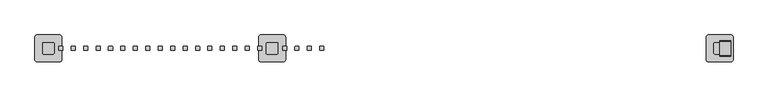
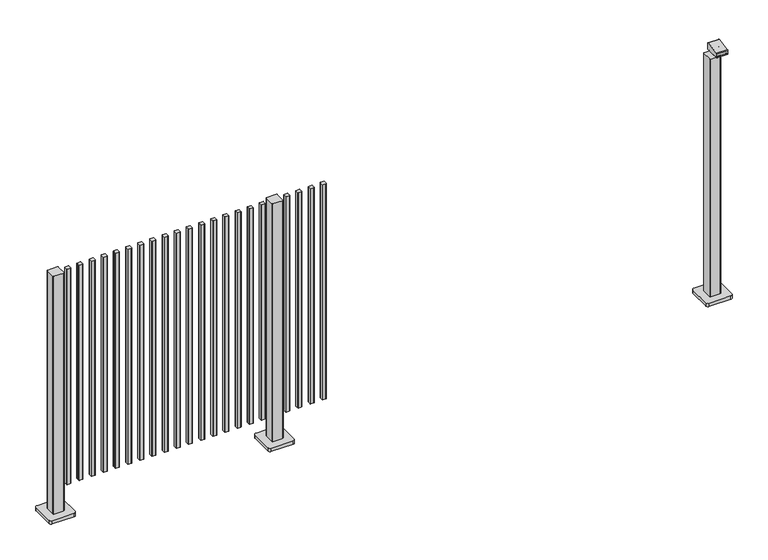
"""IFC4 building model written with IfcOpenShell, lengths in millimetres: railing geometry."""

import ifcopenshell
import ifcopenshell.guid

model = None  # the IFC model being written
_history = None  # IfcOwnerHistory: only IFC2X3 demands one
_inside = {}  # id of a spatial element -> (the spatial element, [elements in it])
_under = {}  # id of a project, library or spatial element -> (it, [spatial elements below it])
_declared = {}  # id of a project -> (the project, [libraries it declares])
_typed = {}  # id of a type object -> (the type object, [elements of that type])
_made_of = {}  # id of a material, layer set ... -> (it, [elements and type objects made of it])


def new_model(schema):
    """Start an empty IFC model of exactly this schema.

    Asked for "IFC4X3", IfcOpenShell would pick the latest addendum, in which some entities
    have other attributes; the version numbers below select the first issue.
    IFC2X3 requires an IfcOwnerHistory on every rooted entity: one is made here for all.
    """
    global model, _history
    if schema == "IFC4X3":
        model = ifcopenshell.file(schema_version=(4, 3, 0, 0))
    else:
        model = ifcopenshell.file(schema=schema)
    _inside.clear()
    _under.clear()
    _declared.clear()
    _typed.clear()
    _made_of.clear()
    _history = None
    if model.schema == "IFC2X3":
        org = make("IfcOrganization", Name="unknown")
        user = make(
            "IfcPersonAndOrganization",
            ThePerson=make("IfcPerson", FamilyName="unknown"),
            TheOrganization=org,
        )
        app = make(
            "IfcApplication",
            ApplicationDeveloper=org,
            Version="unknown",
            ApplicationFullName="unknown",
            ApplicationIdentifier="unknown",
        )
        _history = make(
            "IfcOwnerHistory",
            OwningUser=user,
            OwningApplication=app,
            ChangeAction="ADDED",
            CreationDate=0,
        )
    return model


def make(cls, **values):
    """One entity of the class cls with the attributes given. An attribute that is None is left unset."""
    return model.create_entity(
        cls, **{name: value for name, value in values.items() if value is not None}
    )


def rooted(cls, **values):
    """An entity with a GlobalId (a new one), such as an element, a storey or a relation."""
    return make(cls, GlobalId=ifcopenshell.guid.new(), OwnerHistory=_history, **values)


def si_unit(unit_type, name, prefix=None):
    """IfcSIUnit, for example si_unit("LENGTHUNIT", "METRE", prefix="MILLI")."""
    return make("IfcSIUnit", UnitType=unit_type, Prefix=prefix, Name=name)


def assignment(units):
    """IfcUnitAssignment: the units of a project."""
    return None if units is None else make("IfcUnitAssignment", Units=units)


def point(xyz):
    """IfcCartesianPoint."""
    return None if xyz is None else make("IfcCartesianPoint", Coordinates=xyz)


def direction(xyz):
    """IfcDirection."""
    return None if xyz is None else make("IfcDirection", DirectionRatios=xyz)


def frame(location, z_axis=None, x_axis=None):
    """IfcAxis2Placement3D, a coordinate frame: its origin and axes. An axis left out is left unset."""
    return make(
        "IfcAxis2Placement3D",
        Location=point(location),
        Axis=direction(z_axis),
        RefDirection=direction(x_axis),
    )


def frame_2d(location, x_axis=None):
    """IfcAxis2Placement2D, a coordinate frame in the plane: its origin and x axis."""
    return make(
        "IfcAxis2Placement2D", Location=point(location), RefDirection=direction(x_axis)
    )


def origin():
    """The frame at (0, 0, 0) with its axes left unset."""
    return frame((0.0, 0.0, 0.0))


def origin_with_axes():
    """The frame at (0, 0, 0) with the z axis (0, 0, 1) and the x axis (1, 0, 0) written out."""
    return frame((0.0, 0.0, 0.0), z_axis=(0.0, 0.0, 1.0), x_axis=(1.0, 0.0, 0.0))


def place(relative_to, where):
    """IfcLocalPlacement: puts the frame where relative to a parent placement (None: the world)."""
    return make(
        "IfcLocalPlacement", PlacementRelTo=relative_to, RelativePlacement=where
    )


def context(
    kind, dimensions, precision=None, world=None, true_north=None, identifier=None
):
    """IfcGeometricRepresentationContext, for example the 3D "Model" context."""
    return make(
        "IfcGeometricRepresentationContext",
        ContextIdentifier=identifier,
        ContextType=kind,
        CoordinateSpaceDimension=dimensions,
        Precision=precision,
        WorldCoordinateSystem=world,
        TrueNorth=true_north,
    )


def project(units=None, contexts=None):
    """IfcProject with its units and contexts."""
    return rooted(
        "IfcProject",
        Name="project",
        RepresentationContexts=contexts,
        UnitsInContext=assignment(units),
    )


def spatial(cls, under=None, at=None, **own):
    """A site, building, storey or space (cls), placed at a placement, below another one or the project."""
    s = rooted(cls, ObjectPlacement=at, **own)
    if under is not None:
        _under.setdefault(under.id(), (under, []))[1].append(s)
    return s


def polyline(points):
    """IfcPolyline through the points."""
    return make("IfcPolyline", Points=[point(p) for p in points])


def circle_curve(where, radius):
    """IfcCircle in the frame where."""
    return make("IfcCircle", Position=where, Radius=radius)


def trimmed(basis, trim1, trim2, sense, master):
    """IfcTrimmedCurve: the piece of a basis curve between two trims."""
    return make(
        "IfcTrimmedCurve",
        BasisCurve=basis,
        Trim1=trim1,
        Trim2=trim2,
        SenseAgreement=sense,
        MasterRepresentation=master,
    )


def segment(curve, same_sense, transition):
    """IfcCompositeCurveSegment."""
    return make(
        "IfcCompositeCurveSegment",
        Transition=transition,
        SameSense=same_sense,
        ParentCurve=curve,
    )


def composite_curve(segments, self_intersect=None):
    """IfcCompositeCurve: segments joined end to end."""
    return make("IfcCompositeCurve", Segments=segments, SelfIntersect=self_intersect)


def outline(outer, holes=None, kind="AREA"):
    """IfcArbitraryClosedProfileDef: a profile drawn as a closed curve; with holes, ...WithVoids."""
    if holes is None:
        return make("IfcArbitraryClosedProfileDef", ProfileType=kind, OuterCurve=outer)
    return make(
        "IfcArbitraryProfileDefWithVoids",
        ProfileType=kind,
        OuterCurve=outer,
        InnerCurves=holes,
    )


def extrude(swept, where, along, depth):
    """IfcExtrudedAreaSolid: the profile swept, set in the frame where, extruded along a direction by depth."""
    return make(
        "IfcExtrudedAreaSolid",
        SweptArea=swept,
        Position=where,
        ExtrudedDirection=direction(along),
        Depth=depth,
    )


def shape(context_of_items, identifier, shape_type, items):
    """IfcShapeRepresentation: the items that make up one representation, for example the "Body"."""
    return make(
        "IfcShapeRepresentation",
        ContextOfItems=context_of_items,
        RepresentationIdentifier=identifier,
        RepresentationType=shape_type,
        Items=items,
    )


def source(mapping_origin, context_of_items, identifier, shape_type, items):
    """IfcRepresentationMap: a shape defined once, which mapped items show again and again."""
    return make(
        "IfcRepresentationMap",
        MappingOrigin=mapping_origin,
        MappedRepresentation=shape(context_of_items, identifier, shape_type, items),
    )


def transform(
    local_origin,
    x_axis=None,
    y_axis=None,
    z_axis=None,
    scale=None,
    scale2=None,
    scale3=None,
    uniform=True,
):
    """IfcCartesianTransformationOperator3D, or its non-uniform kind. x_axis, y_axis, z_axis: its Axis1, 2, 3."""
    if uniform:
        return make(
            "IfcCartesianTransformationOperator3D",
            Axis1=direction(x_axis),
            Axis2=direction(y_axis),
            LocalOrigin=point(local_origin),
            Scale=scale,
            Axis3=direction(z_axis),
        )
    return make(
        "IfcCartesianTransformationOperator3DnonUniform",
        Axis1=direction(x_axis),
        Axis2=direction(y_axis),
        LocalOrigin=point(local_origin),
        Scale=scale,
        Axis3=direction(z_axis),
        Scale2=scale2,
        Scale3=scale3,
    )


def mapped(mapping_source, mapping_target):
    """IfcMappedItem: shows the shape of a source again, moved by a transform."""
    return make(
        "IfcMappedItem", MappingSource=mapping_source, MappingTarget=mapping_target
    )


def made_of(thing, what):
    """Note that an element or type object is made of a material, layer set ...; save() writes the relation."""
    if what is not None:
        _made_of.setdefault(what.id(), (what, []))[1].append(thing)
    return thing


def element(
    cls,
    number,
    at=None,
    inside=None,
    cuts=None,
    type_object=None,
    material=None,
    context=None,
    identifier="Body",
    shape_type=None,
    held_by="IfcProductDefinitionShape",
    body=None,
    shapes=None,
    **own,
):
    """One element of the class cls, such as IfcWall. Its Tag is "e" and its number.

    at: its placement. inside: the storey or other place that contains it. cuts: it is an
    opening in that element (IfcRelVoidsElement). A single representation is given by context,
    identifier, shape_type and body (its items); several are given by shapes. held_by: the class
    of the entity that holds the representations. save() writes the other relations.
    """
    e = rooted(cls, Tag="e%d" % number, ObjectPlacement=at, **own)
    if body is not None:
        shapes = [shape(context, identifier, shape_type, body)]
    if shapes is not None:
        e.Representation = make(held_by, Representations=shapes)
    if inside is not None:
        _inside.setdefault(inside.id(), (inside, []))[1].append(e)
    if cuts is not None:
        rooted(
            "IfcRelVoidsElement", RelatingBuildingElement=cuts, RelatedOpeningElement=e
        )
    if type_object is not None:
        _typed.setdefault(type_object.id(), (type_object, []))[1].append(e)
    return made_of(e, material)


def aggregate(whole, parts):
    """IfcRelAggregates: a whole, such as a stair, and the parts it consists of."""
    return rooted("IfcRelAggregates", RelatingObject=whole, RelatedObjects=parts)


def save(model, path):
    """Write the relations noted so far, then the file.

    IfcRelAggregates (storeys below a building ...), IfcRelContainedInSpatialStructure (elements
    in a storey), IfcRelDefinesByType, IfcRelAssociatesMaterial and IfcRelDeclares: one each for
    every whole, place, type object, material and project.
    """
    for whole, parts in _under.values():
        aggregate(whole, parts)
    for where, things in _inside.values():
        rooted(
            "IfcRelContainedInSpatialStructure",
            RelatedElements=things,
            RelatingStructure=where,
        )
    for kind, things in _typed.values():
        rooted("IfcRelDefinesByType", RelatedObjects=things, RelatingType=kind)
    for what, things in _made_of.values():
        rooted("IfcRelAssociatesMaterial", RelatedObjects=things, RelatingMaterial=what)
    for by, libraries in _declared.values():
        rooted("IfcRelDeclares", RelatingContext=by, RelatedDefinitions=libraries)
    model.write(path)


def plane_surface(at):
    """IfcPlane: the flat surface through the origin of the frame at, square to its z axis."""
    return make("IfcPlane", Position=at)


def cylinder_surface(at, radius):
    """IfcCylindricalSurface: all points at the distance radius from the z axis of the frame at."""
    return make("IfcCylindricalSurface", Position=at, Radius=radius)


def advanced_brep(points, edges, surfaces, faces):
    """IfcAdvancedBrep: a solid bounded by faces that lie on surfaces and meet in shared edges.

    An edge is (start, end): straight between two places in points (the first is 0);
    or (start, end, curve); or (start, end, curve, False) where it runs against its curve.
    A face is (place in surfaces, loops), or (place, loops, False) where it looks against
    its surface's normal. A loop lists edges by number (the first is 1), with a minus sign
    where the edge is run from its end to its start. The first loop is the outer one.
    """
    corners = [point(p) for p in points]
    vertices = [make("IfcVertexPoint", VertexGeometry=c) for c in corners]
    made = []
    for start, end, *more in edges:
        made.append(
            make(
                "IfcEdgeCurve",
                EdgeStart=vertices[start],
                EdgeEnd=vertices[end],
                EdgeGeometry=more[0] if more else make("IfcPolyline", Points=[corners[start], corners[end]]),
                SameSense=more[1] if len(more) > 1 else True,
            )
        )
    hull = []
    for where, loops, *sense in faces:
        bounds = []
        for j, loop in enumerate(loops):
            ring = [make("IfcOrientedEdge", EdgeElement=made[abs(k) - 1], Orientation=k > 0) for k in loop]
            bounds.append(
                make(
                    "IfcFaceOuterBound" if j == 0 else "IfcFaceBound",
                    Bound=make("IfcEdgeLoop", EdgeList=ring),
                    Orientation=True,
                )
            )
        hull.append(make("IfcAdvancedFace", Bounds=bounds, FaceSurface=surfaces[where], SameSense=sense[0] if sense else True))
    return make("IfcAdvancedBrep", Outer=make("IfcClosedShell", CfsFaces=hull))


def railing_ac05e86f(model_context):
    return source(origin(), model_context, "Body", "SolidModel", [
        extrude(outline(composite_curve([segment(polyline([(4944.6169133, 10298.2507846), (4944.6169133, 10313.4508236)]), True, "CONTINUOUS"), segment(trimmed(circle_curve(frame_2d((4946.0169133, 10313.4508236)), 1.4), [point((4944.6169133, 10313.4508236))], [point((4946.0169133, 10314.8508236))], False, "CARTESIAN"), True, "CONTINUOUS"), segment(polyline([(4946.0169133, 10314.8508236), (4961.2169163, 10314.8508236)]), True, "CONTINUOUS"), segment(trimmed(circle_curve(frame_2d((4961.2169163, 10313.4508236)), 1.4), [point((4961.2169163, 10314.8508236))], [point((4962.6169163, 10313.4508236))], False, "CARTESIAN"), True, "CONTINUOUS"), segment(polyline([(4962.6169163, 10313.4508236), (4962.6169163, 10298.2507846)]), True, "CONTINUOUS"), segment(trimmed(circle_curve(frame_2d((4961.2169163, 10298.2507846)), 1.4), [point((4962.6169163, 10298.2507846))], [point((4961.2169163, 10296.8507846))], False, "CARTESIAN"), True, "CONTINUOUS"), segment(polyline([(4961.2169163, 10296.8507846), (4946.0169133, 10296.8507846)]), True, "CONTINUOUS"), segment(trimmed(circle_curve(frame_2d((4946.0169133, 10298.2507846)), 1.4), [point((4946.0169133, 10296.8507846))], [point((4944.6169133, 10298.2507846))], False, "CARTESIAN"), True, "CONTINUOUS")], self_intersect=False)), frame((0.0, 0.0, 125.0), z_axis=(0.0, 0.0, 1.0), x_axis=(1.0, 0.0, 0.0)), (0.0, 0.0, 1.0), 1039.2785397),
        extrude(outline(composite_curve([segment(polyline([(4889.0613577, 10298.2507846), (4889.0613577, 10313.4508236)]), True, "CONTINUOUS"), segment(trimmed(circle_curve(frame_2d((4890.4613577, 10313.4508236)), 1.4), [point((4889.0613577, 10313.4508236))], [point((4890.4613577, 10314.8508236))], False, "CARTESIAN"), True, "CONTINUOUS"), segment(polyline([(4890.4613577, 10314.8508236), (4905.6613607, 10314.8508236)]), True, "CONTINUOUS"), segment(trimmed(circle_curve(frame_2d((4905.6613607, 10313.4508236)), 1.4), [point((4905.6613607, 10314.8508236))], [point((4907.0613607, 10313.4508236))], False, "CARTESIAN"), True, "CONTINUOUS"), segment(polyline([(4907.0613607, 10313.4508236), (4907.0613607, 10298.2507846)]), True, "CONTINUOUS"), segment(trimmed(circle_curve(frame_2d((4905.6613607, 10298.2507846)), 1.4), [point((4907.0613607, 10298.2507846))], [point((4905.6613607, 10296.8507846))], False, "CARTESIAN"), True, "CONTINUOUS"), segment(polyline([(4905.6613607, 10296.8507846), (4890.4613577, 10296.8507846)]), True, "CONTINUOUS"), segment(trimmed(circle_curve(frame_2d((4890.4613577, 10298.2507846)), 1.4), [point((4890.4613577, 10296.8507846))], [point((4889.0613577, 10298.2507846))], False, "CARTESIAN"), True, "CONTINUOUS")], self_intersect=False)), frame((0.0, 0.0, 125.0), z_axis=(0.0, 0.0, 1.0), x_axis=(1.0, 0.0, 0.0)), (0.0, 0.0, 1.0), 1039.2785397),
        extrude(outline(composite_curve([segment(polyline([(4833.5058021, 10298.2507846), (4833.5058021, 10313.4508236)]), True, "CONTINUOUS"), segment(trimmed(circle_curve(frame_2d((4834.9058021, 10313.4508236)), 1.4), [point((4833.5058021, 10313.4508236))], [point((4834.9058021, 10314.8508236))], False, "CARTESIAN"), True, "CONTINUOUS"), segment(polyline([(4834.9058021, 10314.8508236), (4850.1058051, 10314.8508236)]), True, "CONTINUOUS"), segment(trimmed(circle_curve(frame_2d((4850.1058051, 10313.4508236)), 1.4), [point((4850.1058051, 10314.8508236))], [point((4851.5058051, 10313.4508236))], False, "CARTESIAN"), True, "CONTINUOUS"), segment(polyline([(4851.5058051, 10313.4508236), (4851.5058051, 10298.2507846)]), True, "CONTINUOUS"), segment(trimmed(circle_curve(frame_2d((4850.1058051, 10298.2507846)), 1.4), [point((4851.5058051, 10298.2507846))], [point((4850.1058051, 10296.8507846))], False, "CARTESIAN"), True, "CONTINUOUS"), segment(polyline([(4850.1058051, 10296.8507846), (4834.9058021, 10296.8507846)]), True, "CONTINUOUS"), segment(trimmed(circle_curve(frame_2d((4834.9058021, 10298.2507846)), 1.4), [point((4834.9058021, 10296.8507846))], [point((4833.5058021, 10298.2507846))], False, "CARTESIAN"), True, "CONTINUOUS")], self_intersect=False)), frame((0.0, 0.0, 125.0), z_axis=(0.0, 0.0, 1.0), x_axis=(1.0, 0.0, 0.0)), (0.0, 0.0, 1.0), 1039.2785397),
        extrude(outline(composite_curve([segment(polyline([(4777.9502466, 10298.2507846), (4777.9502466, 10313.4508236)]), True, "CONTINUOUS"), segment(trimmed(circle_curve(frame_2d((4779.3502466, 10313.4508236)), 1.4), [point((4777.9502466, 10313.4508236))], [point((4779.3502466, 10314.8508236))], False, "CARTESIAN"), True, "CONTINUOUS"), segment(polyline([(4779.3502466, 10314.8508236), (4794.5502496, 10314.8508236)]), True, "CONTINUOUS"), segment(trimmed(circle_curve(frame_2d((4794.5502496, 10313.4508236)), 1.4), [point((4794.5502496, 10314.8508236))], [point((4795.9502496, 10313.4508236))], False, "CARTESIAN"), True, "CONTINUOUS"), segment(polyline([(4795.9502496, 10313.4508236), (4795.9502496, 10298.2507846)]), True, "CONTINUOUS"), segment(trimmed(circle_curve(frame_2d((4794.5502496, 10298.2507846)), 1.4), [point((4795.9502496, 10298.2507846))], [point((4794.5502496, 10296.8507846))], False, "CARTESIAN"), True, "CONTINUOUS"), segment(polyline([(4794.5502496, 10296.8507846), (4779.3502466, 10296.8507846)]), True, "CONTINUOUS"), segment(trimmed(circle_curve(frame_2d((4779.3502466, 10298.2507846)), 1.4), [point((4779.3502466, 10296.8507846))], [point((4777.9502466, 10298.2507846))], False, "CARTESIAN"), True, "CONTINUOUS")], self_intersect=False)), frame((0.0, 0.0, 125.0), z_axis=(0.0, 0.0, 1.0), x_axis=(1.0, 0.0, 0.0)), (0.0, 0.0, 1.0), 1039.2785397),
        extrude(outline(composite_curve([segment(polyline([(4705.994681, 10283.4507816), (4705.994681, 10328.2508046)]), True, "CONTINUOUS"), segment(trimmed(circle_curve(frame_2d((4708.994681, 10328.2508046)), 3.0), [point((4705.994681, 10328.2508046))], [point((4708.994681, 10331.2508046))], False, "CARTESIAN"), True, "CONTINUOUS"), segment(polyline([(4708.994681, 10331.2508046), (4753.794704, 10331.2508046)]), True, "CONTINUOUS"), segment(trimmed(circle_curve(frame_2d((4753.794704, 10328.2508046)), 3.0), [point((4753.794704, 10331.2508046))], [point((4756.794704, 10328.2508046))], False, "CARTESIAN"), True, "CONTINUOUS"), segment(polyline([(4756.794704, 10328.2508046), (4756.794704, 10283.4507816)]), True, "CONTINUOUS"), segment(trimmed(circle_curve(frame_2d((4753.794704, 10283.4507816)), 3.0), [point((4756.794704, 10283.4507816))], [point((4753.794704, 10280.4507816))], False, "CARTESIAN"), True, "CONTINUOUS"), segment(polyline([(4753.794704, 10280.4507816), (4708.994681, 10280.4507816)]), True, "CONTINUOUS"), segment(trimmed(circle_curve(frame_2d((4708.994681, 10283.4507816)), 3.0), [point((4708.994681, 10280.4507816))], [point((4705.994681, 10283.4507816))], False, "CARTESIAN"), True, "CONTINUOUS")], self_intersect=False)), frame((0.0, 0.0, 16.0), z_axis=(0.0, 0.0, 1.0), x_axis=(1.0, 0.0, 0.0)), (0.0, 0.0, 1.0), 1148.2785397),
        extrude(outline(composite_curve([segment(polyline([(4671.394681, 10255.8507931), (4671.394681, 10355.8507931)]), True, "CONTINUOUS"), segment(trimmed(circle_curve(frame_2d((4681.394681, 10355.8507931)), 10.0), [point((4671.394681, 10355.8507931))], [point((4681.394681, 10365.8507931))], False, "CARTESIAN"), True, "CONTINUOUS"), segment(polyline([(4681.394681, 10365.8507931), (4781.394681, 10365.8507931)]), True, "CONTINUOUS"), segment(trimmed(circle_curve(frame_2d((4781.394681, 10355.8507931)), 10.0), [point((4781.394681, 10365.8507931))], [point((4791.394681, 10355.8507931))], False, "CARTESIAN"), True, "CONTINUOUS"), segment(polyline([(4791.394681, 10355.8507931), (4791.394681, 10255.8507931)]), True, "CONTINUOUS"), segment(trimmed(circle_curve(frame_2d((4781.394681, 10255.8507931)), 10.0), [point((4791.394681, 10255.8507931))], [point((4781.394681, 10245.8507931))], False, "CARTESIAN"), True, "CONTINUOUS"), segment(polyline([(4781.394681, 10245.8507931), (4681.394681, 10245.8507931)]), True, "CONTINUOUS"), segment(trimmed(circle_curve(frame_2d((4681.394681, 10255.8507931)), 10.0), [point((4681.394681, 10245.8507931))], [point((4671.394681, 10255.8507931))], False, "CARTESIAN"), True, "CONTINUOUS")], self_intersect=False)), origin_with_axes(), (0.0, 0.0, 1.0), 16.0),
        extrude(outline(composite_curve([segment(polyline([(4666.8391355, 10298.2507846), (4666.8391355, 10313.4508236)]), True, "CONTINUOUS"), segment(trimmed(circle_curve(frame_2d((4668.2391355, 10313.4508236)), 1.4), [point((4666.8391355, 10313.4508236))], [point((4668.2391355, 10314.8508236))], False, "CARTESIAN"), True, "CONTINUOUS"), segment(polyline([(4668.2391355, 10314.8508236), (4683.4391385, 10314.8508236)]), True, "CONTINUOUS"), segment(trimmed(circle_curve(frame_2d((4683.4391385, 10313.4508236)), 1.4), [point((4683.4391385, 10314.8508236))], [point((4684.8391385, 10313.4508236))], False, "CARTESIAN"), True, "CONTINUOUS"), segment(polyline([(4684.8391385, 10313.4508236), (4684.8391385, 10298.2507846)]), True, "CONTINUOUS"), segment(trimmed(circle_curve(frame_2d((4683.4391385, 10298.2507846)), 1.4), [point((4684.8391385, 10298.2507846))], [point((4683.4391385, 10296.8507846))], False, "CARTESIAN"), True, "CONTINUOUS"), segment(polyline([(4683.4391385, 10296.8507846), (4668.2391355, 10296.8507846)]), True, "CONTINUOUS"), segment(trimmed(circle_curve(frame_2d((4668.2391355, 10298.2507846)), 1.4), [point((4668.2391355, 10296.8507846))], [point((4666.8391355, 10298.2507846))], False, "CARTESIAN"), True, "CONTINUOUS")], self_intersect=False)), frame((0.0, 0.0, 125.0), z_axis=(0.0, 0.0, 1.0), x_axis=(1.0, 0.0, 0.0)), (0.0, 0.0, 1.0), 1039.2785397),
        extrude(outline(composite_curve([segment(polyline([(4611.2835799, 10298.2507846), (4611.2835799, 10313.4508236)]), True, "CONTINUOUS"), segment(trimmed(circle_curve(frame_2d((4612.6835799, 10313.4508236)), 1.4), [point((4611.2835799, 10313.4508236))], [point((4612.6835799, 10314.8508236))], False, "CARTESIAN"), True, "CONTINUOUS"), segment(polyline([(4612.6835799, 10314.8508236), (4627.8835829, 10314.8508236)]), True, "CONTINUOUS"), segment(trimmed(circle_curve(frame_2d((4627.8835829, 10313.4508236)), 1.4), [point((4627.8835829, 10314.8508236))], [point((4629.2835829, 10313.4508236))], False, "CARTESIAN"), True, "CONTINUOUS"), segment(polyline([(4629.2835829, 10313.4508236), (4629.2835829, 10298.2507846)]), True, "CONTINUOUS"), segment(trimmed(circle_curve(frame_2d((4627.8835829, 10298.2507846)), 1.4), [point((4629.2835829, 10298.2507846))], [point((4627.8835829, 10296.8507846))], False, "CARTESIAN"), True, "CONTINUOUS"), segment(polyline([(4627.8835829, 10296.8507846), (4612.6835799, 10296.8507846)]), True, "CONTINUOUS"), segment(trimmed(circle_curve(frame_2d((4612.6835799, 10298.2507846)), 1.4), [point((4612.6835799, 10296.8507846))], [point((4611.2835799, 10298.2507846))], False, "CARTESIAN"), True, "CONTINUOUS")], self_intersect=False)), frame((0.0, 0.0, 125.0), z_axis=(0.0, 0.0, 1.0), x_axis=(1.0, 0.0, 0.0)), (0.0, 0.0, 1.0), 1039.2785397),
        extrude(outline(composite_curve([segment(polyline([(4555.7280244, 10298.2507846), (4555.7280244, 10313.4508236)]), True, "CONTINUOUS"), segment(trimmed(circle_curve(frame_2d((4557.1280244, 10313.4508236)), 1.4), [point((4555.7280244, 10313.4508236))], [point((4557.1280244, 10314.8508236))], False, "CARTESIAN"), True, "CONTINUOUS"), segment(polyline([(4557.1280244, 10314.8508236), (4572.3280274, 10314.8508236)]), True, "CONTINUOUS"), segment(trimmed(circle_curve(frame_2d((4572.3280274, 10313.4508236)), 1.4), [point((4572.3280274, 10314.8508236))], [point((4573.7280274, 10313.4508236))], False, "CARTESIAN"), True, "CONTINUOUS"), segment(polyline([(4573.7280274, 10313.4508236), (4573.7280274, 10298.2507846)]), True, "CONTINUOUS"), segment(trimmed(circle_curve(frame_2d((4572.3280274, 10298.2507846)), 1.4), [point((4573.7280274, 10298.2507846))], [point((4572.3280274, 10296.8507846))], False, "CARTESIAN"), True, "CONTINUOUS"), segment(polyline([(4572.3280274, 10296.8507846), (4557.1280244, 10296.8507846)]), True, "CONTINUOUS"), segment(trimmed(circle_curve(frame_2d((4557.1280244, 10298.2507846)), 1.4), [point((4557.1280244, 10296.8507846))], [point((4555.7280244, 10298.2507846))], False, "CARTESIAN"), True, "CONTINUOUS")], self_intersect=False)), frame((0.0, 0.0, 125.0), z_axis=(0.0, 0.0, 1.0), x_axis=(1.0, 0.0, 0.0)), (0.0, 0.0, 1.0), 1039.2785397),
        extrude(outline(composite_curve([segment(polyline([(4500.1724688, 10298.2507846), (4500.1724688, 10313.4508236)]), True, "CONTINUOUS"), segment(trimmed(circle_curve(frame_2d((4501.5724688, 10313.4508236)), 1.4), [point((4500.1724688, 10313.4508236))], [point((4501.5724688, 10314.8508236))], False, "CARTESIAN"), True, "CONTINUOUS"), segment(polyline([(4501.5724688, 10314.8508236), (4516.7724718, 10314.8508236)]), True, "CONTINUOUS"), segment(trimmed(circle_curve(frame_2d((4516.7724718, 10313.4508236)), 1.4), [point((4516.7724718, 10314.8508236))], [point((4518.1724718, 10313.4508236))], False, "CARTESIAN"), True, "CONTINUOUS"), segment(polyline([(4518.1724718, 10313.4508236), (4518.1724718, 10298.2507846)]), True, "CONTINUOUS"), segment(trimmed(circle_curve(frame_2d((4516.7724718, 10298.2507846)), 1.4), [point((4518.1724718, 10298.2507846))], [point((4516.7724718, 10296.8507846))], False, "CARTESIAN"), True, "CONTINUOUS"), segment(polyline([(4516.7724718, 10296.8507846), (4501.5724688, 10296.8507846)]), True, "CONTINUOUS"), segment(trimmed(circle_curve(frame_2d((4501.5724688, 10298.2507846)), 1.4), [point((4501.5724688, 10296.8507846))], [point((4500.1724688, 10298.2507846))], False, "CARTESIAN"), True, "CONTINUOUS")], self_intersect=False)), frame((0.0, 0.0, 125.0), z_axis=(0.0, 0.0, 1.0), x_axis=(1.0, 0.0, 0.0)), (0.0, 0.0, 1.0), 1039.2785397),
        extrude(outline(composite_curve([segment(polyline([(4444.6169133, 10298.2507846), (4444.6169133, 10313.4508236)]), True, "CONTINUOUS"), segment(trimmed(circle_curve(frame_2d((4446.0169133, 10313.4508236)), 1.4), [point((4444.6169133, 10313.4508236))], [point((4446.0169133, 10314.8508236))], False, "CARTESIAN"), True, "CONTINUOUS"), segment(polyline([(4446.0169133, 10314.8508236), (4461.2169163, 10314.8508236)]), True, "CONTINUOUS"), segment(trimmed(circle_curve(frame_2d((4461.2169163, 10313.4508236)), 1.4), [point((4461.2169163, 10314.8508236))], [point((4462.6169163, 10313.4508236))], False, "CARTESIAN"), True, "CONTINUOUS"), segment(polyline([(4462.6169163, 10313.4508236), (4462.6169163, 10298.2507846)]), True, "CONTINUOUS"), segment(trimmed(circle_curve(frame_2d((4461.2169163, 10298.2507846)), 1.4), [point((4462.6169163, 10298.2507846))], [point((4461.2169163, 10296.8507846))], False, "CARTESIAN"), True, "CONTINUOUS"), segment(polyline([(4461.2169163, 10296.8507846), (4446.0169133, 10296.8507846)]), True, "CONTINUOUS"), segment(trimmed(circle_curve(frame_2d((4446.0169133, 10298.2507846)), 1.4), [point((4446.0169133, 10296.8507846))], [point((4444.6169133, 10298.2507846))], False, "CARTESIAN"), True, "CONTINUOUS")], self_intersect=False)), frame((0.0, 0.0, 125.0), z_axis=(0.0, 0.0, 1.0), x_axis=(1.0, 0.0, 0.0)), (0.0, 0.0, 1.0), 1039.2785397),
        extrude(outline(composite_curve([segment(polyline([(4389.0613577, 10298.2507846), (4389.0613577, 10313.4508236)]), True, "CONTINUOUS"), segment(trimmed(circle_curve(frame_2d((4390.4613577, 10313.4508236)), 1.4), [point((4389.0613577, 10313.4508236))], [point((4390.4613577, 10314.8508236))], False, "CARTESIAN"), True, "CONTINUOUS"), segment(polyline([(4390.4613577, 10314.8508236), (4405.6613607, 10314.8508236)]), True, "CONTINUOUS"), segment(trimmed(circle_curve(frame_2d((4405.6613607, 10313.4508236)), 1.4), [point((4405.6613607, 10314.8508236))], [point((4407.0613607, 10313.4508236))], False, "CARTESIAN"), True, "CONTINUOUS"), segment(polyline([(4407.0613607, 10313.4508236), (4407.0613607, 10298.2507846)]), True, "CONTINUOUS"), segment(trimmed(circle_curve(frame_2d((4405.6613607, 10298.2507846)), 1.4), [point((4407.0613607, 10298.2507846))], [point((4405.6613607, 10296.8507846))], False, "CARTESIAN"), True, "CONTINUOUS"), segment(polyline([(4405.6613607, 10296.8507846), (4390.4613577, 10296.8507846)]), True, "CONTINUOUS"), segment(trimmed(circle_curve(frame_2d((4390.4613577, 10298.2507846)), 1.4), [point((4390.4613577, 10296.8507846))], [point((4389.0613577, 10298.2507846))], False, "CARTESIAN"), True, "CONTINUOUS")], self_intersect=False)), frame((0.0, 0.0, 125.0), z_axis=(0.0, 0.0, 1.0), x_axis=(1.0, 0.0, 0.0)), (0.0, 0.0, 1.0), 1039.2785397),
        extrude(outline(composite_curve([segment(polyline([(4333.5058021, 10298.2507846), (4333.5058021, 10313.4508236)]), True, "CONTINUOUS"), segment(trimmed(circle_curve(frame_2d((4334.9058021, 10313.4508236)), 1.4), [point((4333.5058021, 10313.4508236))], [point((4334.9058021, 10314.8508236))], False, "CARTESIAN"), True, "CONTINUOUS"), segment(polyline([(4334.9058021, 10314.8508236), (4350.1058051, 10314.8508236)]), True, "CONTINUOUS"), segment(trimmed(circle_curve(frame_2d((4350.1058051, 10313.4508236)), 1.4), [point((4350.1058051, 10314.8508236))], [point((4351.5058051, 10313.4508236))], False, "CARTESIAN"), True, "CONTINUOUS"), segment(polyline([(4351.5058051, 10313.4508236), (4351.5058051, 10298.2507846)]), True, "CONTINUOUS"), segment(trimmed(circle_curve(frame_2d((4350.1058051, 10298.2507846)), 1.4), [point((4351.5058051, 10298.2507846))], [point((4350.1058051, 10296.8507846))], False, "CARTESIAN"), True, "CONTINUOUS"), segment(polyline([(4350.1058051, 10296.8507846), (4334.9058021, 10296.8507846)]), True, "CONTINUOUS"), segment(trimmed(circle_curve(frame_2d((4334.9058021, 10298.2507846)), 1.4), [point((4334.9058021, 10296.8507846))], [point((4333.5058021, 10298.2507846))], False, "CARTESIAN"), True, "CONTINUOUS")], self_intersect=False)), frame((0.0, 0.0, 125.0), z_axis=(0.0, 0.0, 1.0), x_axis=(1.0, 0.0, 0.0)), (0.0, 0.0, 1.0), 1039.2785397),
        extrude(outline(composite_curve([segment(polyline([(4277.9502466, 10298.2507846), (4277.9502466, 10313.4508236)]), True, "CONTINUOUS"), segment(trimmed(circle_curve(frame_2d((4279.3502466, 10313.4508236)), 1.4), [point((4277.9502466, 10313.4508236))], [point((4279.3502466, 10314.8508236))], False, "CARTESIAN"), True, "CONTINUOUS"), segment(polyline([(4279.3502466, 10314.8508236), (4294.5502496, 10314.8508236)]), True, "CONTINUOUS"), segment(trimmed(circle_curve(frame_2d((4294.5502496, 10313.4508236)), 1.4), [point((4294.5502496, 10314.8508236))], [point((4295.9502496, 10313.4508236))], False, "CARTESIAN"), True, "CONTINUOUS"), segment(polyline([(4295.9502496, 10313.4508236), (4295.9502496, 10298.2507846)]), True, "CONTINUOUS"), segment(trimmed(circle_curve(frame_2d((4294.5502496, 10298.2507846)), 1.4), [point((4295.9502496, 10298.2507846))], [point((4294.5502496, 10296.8507846))], False, "CARTESIAN"), True, "CONTINUOUS"), segment(polyline([(4294.5502496, 10296.8507846), (4279.3502466, 10296.8507846)]), True, "CONTINUOUS"), segment(trimmed(circle_curve(frame_2d((4279.3502466, 10298.2507846)), 1.4), [point((4279.3502466, 10296.8507846))], [point((4277.9502466, 10298.2507846))], False, "CARTESIAN"), True, "CONTINUOUS")], self_intersect=False)), frame((0.0, 0.0, 125.0), z_axis=(0.0, 0.0, 1.0), x_axis=(1.0, 0.0, 0.0)), (0.0, 0.0, 1.0), 1039.2785397),
        extrude(outline(composite_curve([segment(polyline([(4222.394691, 10298.2507846), (4222.394691, 10313.4508236)]), True, "CONTINUOUS"), segment(trimmed(circle_curve(frame_2d((4223.794691, 10313.4508236)), 1.4), [point((4222.394691, 10313.4508236))], [point((4223.794691, 10314.8508236))], False, "CARTESIAN"), True, "CONTINUOUS"), segment(polyline([(4223.794691, 10314.8508236), (4238.994694, 10314.8508236)]), True, "CONTINUOUS"), segment(trimmed(circle_curve(frame_2d((4238.994694, 10313.4508236)), 1.4), [point((4238.994694, 10314.8508236))], [point((4240.394694, 10313.4508236))], False, "CARTESIAN"), True, "CONTINUOUS"), segment(polyline([(4240.394694, 10313.4508236), (4240.394694, 10298.2507846)]), True, "CONTINUOUS"), segment(trimmed(circle_curve(frame_2d((4238.994694, 10298.2507846)), 1.4), [point((4240.394694, 10298.2507846))], [point((4238.994694, 10296.8507846))], False, "CARTESIAN"), True, "CONTINUOUS"), segment(polyline([(4238.994694, 10296.8507846), (4223.794691, 10296.8507846)]), True, "CONTINUOUS"), segment(trimmed(circle_curve(frame_2d((4223.794691, 10298.2507846)), 1.4), [point((4223.794691, 10296.8507846))], [point((4222.394691, 10298.2507846))], False, "CARTESIAN"), True, "CONTINUOUS")], self_intersect=False)), frame((0.0, 0.0, 125.0), z_axis=(0.0, 0.0, 1.0), x_axis=(1.0, 0.0, 0.0)), (0.0, 0.0, 1.0), 1039.2785397),
        extrude(outline(composite_curve([segment(polyline([(4166.8391355, 10298.2507846), (4166.8391355, 10313.4508236)]), True, "CONTINUOUS"), segment(trimmed(circle_curve(frame_2d((4168.2391355, 10313.4508236)), 1.4), [point((4166.8391355, 10313.4508236))], [point((4168.2391355, 10314.8508236))], False, "CARTESIAN"), True, "CONTINUOUS"), segment(polyline([(4168.2391355, 10314.8508236), (4183.4391385, 10314.8508236)]), True, "CONTINUOUS"), segment(trimmed(circle_curve(frame_2d((4183.4391385, 10313.4508236)), 1.4), [point((4183.4391385, 10314.8508236))], [point((4184.8391385, 10313.4508236))], False, "CARTESIAN"), True, "CONTINUOUS"), segment(polyline([(4184.8391385, 10313.4508236), (4184.8391385, 10298.2507846)]), True, "CONTINUOUS"), segment(trimmed(circle_curve(frame_2d((4183.4391385, 10298.2507846)), 1.4), [point((4184.8391385, 10298.2507846))], [point((4183.4391385, 10296.8507846))], False, "CARTESIAN"), True, "CONTINUOUS"), segment(polyline([(4183.4391385, 10296.8507846), (4168.2391355, 10296.8507846)]), True, "CONTINUOUS"), segment(trimmed(circle_curve(frame_2d((4168.2391355, 10298.2507846)), 1.4), [point((4168.2391355, 10296.8507846))], [point((4166.8391355, 10298.2507846))], False, "CARTESIAN"), True, "CONTINUOUS")], self_intersect=False)), frame((0.0, 0.0, 125.0), z_axis=(0.0, 0.0, 1.0), x_axis=(1.0, 0.0, 0.0)), (0.0, 0.0, 1.0), 1039.2785397),
        extrude(outline(composite_curve([segment(polyline([(4111.2835799, 10298.2507846), (4111.2835799, 10313.4508236)]), True, "CONTINUOUS"), segment(trimmed(circle_curve(frame_2d((4112.6835799, 10313.4508236)), 1.4), [point((4111.2835799, 10313.4508236))], [point((4112.6835799, 10314.8508236))], False, "CARTESIAN"), True, "CONTINUOUS"), segment(polyline([(4112.6835799, 10314.8508236), (4127.8835829, 10314.8508236)]), True, "CONTINUOUS"), segment(trimmed(circle_curve(frame_2d((4127.8835829, 10313.4508236)), 1.4), [point((4127.8835829, 10314.8508236))], [point((4129.2835829, 10313.4508236))], False, "CARTESIAN"), True, "CONTINUOUS"), segment(polyline([(4129.2835829, 10313.4508236), (4129.2835829, 10298.2507846)]), True, "CONTINUOUS"), segment(trimmed(circle_curve(frame_2d((4127.8835829, 10298.2507846)), 1.4), [point((4129.2835829, 10298.2507846))], [point((4127.8835829, 10296.8507846))], False, "CARTESIAN"), True, "CONTINUOUS"), segment(polyline([(4127.8835829, 10296.8507846), (4112.6835799, 10296.8507846)]), True, "CONTINUOUS"), segment(trimmed(circle_curve(frame_2d((4112.6835799, 10298.2507846)), 1.4), [point((4112.6835799, 10296.8507846))], [point((4111.2835799, 10298.2507846))], False, "CARTESIAN"), True, "CONTINUOUS")], self_intersect=False)), frame((0.0, 0.0, 125.0), z_axis=(0.0, 0.0, 1.0), x_axis=(1.0, 0.0, 0.0)), (0.0, 0.0, 1.0), 1039.2785397),
        extrude(outline(composite_curve([segment(polyline([(4055.7280244, 10298.2507846), (4055.7280244, 10313.4508236)]), True, "CONTINUOUS"), segment(trimmed(circle_curve(frame_2d((4057.1280244, 10313.4508236)), 1.4), [point((4055.7280244, 10313.4508236))], [point((4057.1280244, 10314.8508236))], False, "CARTESIAN"), True, "CONTINUOUS"), segment(polyline([(4057.1280244, 10314.8508236), (4072.3280274, 10314.8508236)]), True, "CONTINUOUS"), segment(trimmed(circle_curve(frame_2d((4072.3280274, 10313.4508236)), 1.4), [point((4072.3280274, 10314.8508236))], [point((4073.7280274, 10313.4508236))], False, "CARTESIAN"), True, "CONTINUOUS"), segment(polyline([(4073.7280274, 10313.4508236), (4073.7280274, 10298.2507846)]), True, "CONTINUOUS"), segment(trimmed(circle_curve(frame_2d((4072.3280274, 10298.2507846)), 1.4), [point((4073.7280274, 10298.2507846))], [point((4072.3280274, 10296.8507846))], False, "CARTESIAN"), True, "CONTINUOUS"), segment(polyline([(4072.3280274, 10296.8507846), (4057.1280244, 10296.8507846)]), True, "CONTINUOUS"), segment(trimmed(circle_curve(frame_2d((4057.1280244, 10298.2507846)), 1.4), [point((4057.1280244, 10296.8507846))], [point((4055.7280244, 10298.2507846))], False, "CARTESIAN"), True, "CONTINUOUS")], self_intersect=False)), frame((0.0, 0.0, 125.0), z_axis=(0.0, 0.0, 1.0), x_axis=(1.0, 0.0, 0.0)), (0.0, 0.0, 1.0), 1039.2785397),
        extrude(outline(composite_curve([segment(polyline([(4000.1724688, 10298.2507846), (4000.1724688, 10313.4508236)]), True, "CONTINUOUS"), segment(trimmed(circle_curve(frame_2d((4001.5724688, 10313.4508236)), 1.4), [point((4000.1724688, 10313.4508236))], [point((4001.5724688, 10314.8508236))], False, "CARTESIAN"), True, "CONTINUOUS"), segment(polyline([(4001.5724688, 10314.8508236), (4016.7724718, 10314.8508236)]), True, "CONTINUOUS"), segment(trimmed(circle_curve(frame_2d((4016.7724718, 10313.4508236)), 1.4), [point((4016.7724718, 10314.8508236))], [point((4018.1724718, 10313.4508236))], False, "CARTESIAN"), True, "CONTINUOUS"), segment(polyline([(4018.1724718, 10313.4508236), (4018.1724718, 10298.2507846)]), True, "CONTINUOUS"), segment(trimmed(circle_curve(frame_2d((4016.7724718, 10298.2507846)), 1.4), [point((4018.1724718, 10298.2507846))], [point((4016.7724718, 10296.8507846))], False, "CARTESIAN"), True, "CONTINUOUS"), segment(polyline([(4016.7724718, 10296.8507846), (4001.5724688, 10296.8507846)]), True, "CONTINUOUS"), segment(trimmed(circle_curve(frame_2d((4001.5724688, 10298.2507846)), 1.4), [point((4001.5724688, 10296.8507846))], [point((4000.1724688, 10298.2507846))], False, "CARTESIAN"), True, "CONTINUOUS")], self_intersect=False)), frame((0.0, 0.0, 125.0), z_axis=(0.0, 0.0, 1.0), x_axis=(1.0, 0.0, 0.0)), (0.0, 0.0, 1.0), 1039.2785397),
        extrude(outline(composite_curve([segment(polyline([(3944.6169133, 10298.2507846), (3944.6169133, 10313.4508236)]), True, "CONTINUOUS"), segment(trimmed(circle_curve(frame_2d((3946.0169133, 10313.4508236)), 1.4), [point((3944.6169133, 10313.4508236))], [point((3946.0169133, 10314.8508236))], False, "CARTESIAN"), True, "CONTINUOUS"), segment(polyline([(3946.0169133, 10314.8508236), (3961.2169163, 10314.8508236)]), True, "CONTINUOUS"), segment(trimmed(circle_curve(frame_2d((3961.2169163, 10313.4508236)), 1.4), [point((3961.2169163, 10314.8508236))], [point((3962.6169163, 10313.4508236))], False, "CARTESIAN"), True, "CONTINUOUS"), segment(polyline([(3962.6169163, 10313.4508236), (3962.6169163, 10298.2507846)]), True, "CONTINUOUS"), segment(trimmed(circle_curve(frame_2d((3961.2169163, 10298.2507846)), 1.4), [point((3962.6169163, 10298.2507846))], [point((3961.2169163, 10296.8507846))], False, "CARTESIAN"), True, "CONTINUOUS"), segment(polyline([(3961.2169163, 10296.8507846), (3946.0169133, 10296.8507846)]), True, "CONTINUOUS"), segment(trimmed(circle_curve(frame_2d((3946.0169133, 10298.2507846)), 1.4), [point((3946.0169133, 10296.8507846))], [point((3944.6169133, 10298.2507846))], False, "CARTESIAN"), True, "CONTINUOUS")], self_intersect=False)), frame((0.0, 0.0, 125.0), z_axis=(0.0, 0.0, 1.0), x_axis=(1.0, 0.0, 0.0)), (0.0, 0.0, 1.0), 1039.2785397),
        extrude(outline(composite_curve([segment(polyline([(3889.0613577, 10298.2507846), (3889.0613577, 10313.4508236)]), True, "CONTINUOUS"), segment(trimmed(circle_curve(frame_2d((3890.4613577, 10313.4508236)), 1.4), [point((3889.0613577, 10313.4508236))], [point((3890.4613577, 10314.8508236))], False, "CARTESIAN"), True, "CONTINUOUS"), segment(polyline([(3890.4613577, 10314.8508236), (3905.6613607, 10314.8508236)]), True, "CONTINUOUS"), segment(trimmed(circle_curve(frame_2d((3905.6613607, 10313.4508236)), 1.4), [point((3905.6613607, 10314.8508236))], [point((3907.0613607, 10313.4508236))], False, "CARTESIAN"), True, "CONTINUOUS"), segment(polyline([(3907.0613607, 10313.4508236), (3907.0613607, 10298.2507846)]), True, "CONTINUOUS"), segment(trimmed(circle_curve(frame_2d((3905.6613607, 10298.2507846)), 1.4), [point((3907.0613607, 10298.2507846))], [point((3905.6613607, 10296.8507846))], False, "CARTESIAN"), True, "CONTINUOUS"), segment(polyline([(3905.6613607, 10296.8507846), (3890.4613577, 10296.8507846)]), True, "CONTINUOUS"), segment(trimmed(circle_curve(frame_2d((3890.4613577, 10298.2507846)), 1.4), [point((3890.4613577, 10296.8507846))], [point((3889.0613577, 10298.2507846))], False, "CARTESIAN"), True, "CONTINUOUS")], self_intersect=False)), frame((0.0, 0.0, 125.0), z_axis=(0.0, 0.0, 1.0), x_axis=(1.0, 0.0, 0.0)), (0.0, 0.0, 1.0), 1039.2785397),
        extrude(outline(composite_curve([segment(polyline([(3833.5058021, 10298.2507846), (3833.5058021, 10313.4508236)]), True, "CONTINUOUS"), segment(trimmed(circle_curve(frame_2d((3834.9058021, 10313.4508236)), 1.4), [point((3833.5058021, 10313.4508236))], [point((3834.9058021, 10314.8508236))], False, "CARTESIAN"), True, "CONTINUOUS"), segment(polyline([(3834.9058021, 10314.8508236), (3850.1058051, 10314.8508236)]), True, "CONTINUOUS"), segment(trimmed(circle_curve(frame_2d((3850.1058051, 10313.4508236)), 1.4), [point((3850.1058051, 10314.8508236))], [point((3851.5058051, 10313.4508236))], False, "CARTESIAN"), True, "CONTINUOUS"), segment(polyline([(3851.5058051, 10313.4508236), (3851.5058051, 10298.2507846)]), True, "CONTINUOUS"), segment(trimmed(circle_curve(frame_2d((3850.1058051, 10298.2507846)), 1.4), [point((3851.5058051, 10298.2507846))], [point((3850.1058051, 10296.8507846))], False, "CARTESIAN"), True, "CONTINUOUS"), segment(polyline([(3850.1058051, 10296.8507846), (3834.9058021, 10296.8507846)]), True, "CONTINUOUS"), segment(trimmed(circle_curve(frame_2d((3834.9058021, 10298.2507846)), 1.4), [point((3834.9058021, 10296.8507846))], [point((3833.5058021, 10298.2507846))], False, "CARTESIAN"), True, "CONTINUOUS")], self_intersect=False)), frame((0.0, 0.0, 125.0), z_axis=(0.0, 0.0, 1.0), x_axis=(1.0, 0.0, 0.0)), (0.0, 0.0, 1.0), 1039.2785397),
        extrude(outline(composite_curve([segment(polyline([(3777.9502466, 10298.2507846), (3777.9502466, 10313.4508236)]), True, "CONTINUOUS"), segment(trimmed(circle_curve(frame_2d((3779.3502466, 10313.4508236)), 1.4), [point((3777.9502466, 10313.4508236))], [point((3779.3502466, 10314.8508236))], False, "CARTESIAN"), True, "CONTINUOUS"), segment(polyline([(3779.3502466, 10314.8508236), (3794.5502496, 10314.8508236)]), True, "CONTINUOUS"), segment(trimmed(circle_curve(frame_2d((3794.5502496, 10313.4508236)), 1.4), [point((3794.5502496, 10314.8508236))], [point((3795.9502496, 10313.4508236))], False, "CARTESIAN"), True, "CONTINUOUS"), segment(polyline([(3795.9502496, 10313.4508236), (3795.9502496, 10298.2507846)]), True, "CONTINUOUS"), segment(trimmed(circle_curve(frame_2d((3794.5502496, 10298.2507846)), 1.4), [point((3795.9502496, 10298.2507846))], [point((3794.5502496, 10296.8507846))], False, "CARTESIAN"), True, "CONTINUOUS"), segment(polyline([(3794.5502496, 10296.8507846), (3779.3502466, 10296.8507846)]), True, "CONTINUOUS"), segment(trimmed(circle_curve(frame_2d((3779.3502466, 10298.2507846)), 1.4), [point((3779.3502466, 10296.8507846))], [point((3777.9502466, 10298.2507846))], False, "CARTESIAN"), True, "CONTINUOUS")], self_intersect=False)), frame((0.0, 0.0, 125.0), z_axis=(0.0, 0.0, 1.0), x_axis=(1.0, 0.0, 0.0)), (0.0, 0.0, 1.0), 1039.2785397),
        extrude(outline(composite_curve([segment(polyline([(6705.994681, 10283.4507816), (6705.994681, 10328.2508046)]), True, "CONTINUOUS"), segment(trimmed(circle_curve(frame_2d((6708.994681, 10328.2508046)), 3.0), [point((6705.994681, 10328.2508046))], [point((6708.994681, 10331.2508046))], False, "CARTESIAN"), True, "CONTINUOUS"), segment(polyline([(6708.994681, 10331.2508046), (6753.794704, 10331.2508046)]), True, "CONTINUOUS"), segment(trimmed(circle_curve(frame_2d((6753.794704, 10328.2508046)), 3.0), [point((6753.794704, 10331.2508046))], [point((6756.794704, 10328.2508046))], False, "CARTESIAN"), True, "CONTINUOUS"), segment(polyline([(6756.794704, 10328.2508046), (6756.794704, 10283.4507816)]), True, "CONTINUOUS"), segment(trimmed(circle_curve(frame_2d((6753.794704, 10283.4507816)), 3.0), [point((6756.794704, 10283.4507816))], [point((6753.794704, 10280.4507816))], False, "CARTESIAN"), True, "CONTINUOUS"), segment(polyline([(6753.794704, 10280.4507816), (6708.994681, 10280.4507816)]), True, "CONTINUOUS"), segment(trimmed(circle_curve(frame_2d((6708.994681, 10283.4507816)), 3.0), [point((6708.994681, 10280.4507816))], [point((6705.994681, 10283.4507816))], False, "CARTESIAN"), True, "CONTINUOUS")], self_intersect=False)), frame((0.0, 0.0, 16.0), z_axis=(0.0, 0.0, 1.0), x_axis=(1.0, 0.0, 0.0)), (0.0, 0.0, 1.0), 1148.2785397),
        extrude(outline(composite_curve([segment(polyline([(6671.394681, 10255.8507931), (6671.394681, 10355.8507931)]), True, "CONTINUOUS"), segment(trimmed(circle_curve(frame_2d((6681.394681, 10355.8507931)), 10.0), [point((6671.394681, 10355.8507931))], [point((6681.394681, 10365.8507931))], False, "CARTESIAN"), True, "CONTINUOUS"), segment(polyline([(6681.394681, 10365.8507931), (6781.394681, 10365.8507931)]), True, "CONTINUOUS"), segment(trimmed(circle_curve(frame_2d((6781.394681, 10355.8507931)), 10.0), [point((6781.394681, 10365.8507931))], [point((6791.394681, 10355.8507931))], False, "CARTESIAN"), True, "CONTINUOUS"), segment(polyline([(6791.394681, 10355.8507931), (6791.394681, 10255.8507931)]), True, "CONTINUOUS"), segment(trimmed(circle_curve(frame_2d((6781.394681, 10255.8507931)), 10.0), [point((6791.394681, 10255.8507931))], [point((6781.394681, 10245.8507931))], False, "CARTESIAN"), True, "CONTINUOUS"), segment(polyline([(6781.394681, 10245.8507931), (6681.394681, 10245.8507931)]), True, "CONTINUOUS"), segment(trimmed(circle_curve(frame_2d((6681.394681, 10255.8507931)), 10.0), [point((6681.394681, 10245.8507931))], [point((6671.394681, 10255.8507931))], False, "CARTESIAN"), True, "CONTINUOUS")], self_intersect=False)), origin_with_axes(), (0.0, 0.0, 1.0), 16.0),
        advanced_brep(
        [(6781.3946925, 10337.338553, 1199.9544233), (6781.3946925, 10273.338553, 1188.6694965), (6781.3946925, 10270.8594975, 1185.7150732), (6781.3946925, 10270.8594975, 1169.2), (6781.3946925, 10273.8594975, 1166.2), (6781.3946925, 10278.6766494, 1166.2), (6781.3946925, 10279.6055852, 1166.9000033), (6781.3946925, 10280.1055852, 1166.4000003), (6781.3946925, 10298.2660875, 1166.4000003), (6781.3946925, 10298.859963, 1165.6114192), (6781.3946925, 10312.8396379, 1165.6106384), (6781.3946925, 10313.4355206, 1166.4000003), (6781.3946925, 10331.5455028, 1166.4000003), (6781.3946925, 10332.1185784, 1166.9730759), (6781.3946925, 10333.0095836, 1166.2), (6781.3946925, 10337.8594975, 1166.2), (6781.3946925, 10340.8594975, 1169.2), (6781.3946925, 10340.8594975, 1197.0), (6731.3946925, 10337.338553, 1199.9544233), (6731.3946925, 10340.8594975, 1197.0), (6731.3946925, 10340.8594975, 1169.2), (6731.3946925, 10337.8594975, 1166.2), (6731.3946925, 10333.0095836, 1166.2), (6731.3946925, 10332.1185784, 1166.9730759), (6731.3946925, 10331.5455028, 1166.4000003), (6731.3946925, 10313.4355206, 1166.4000003), (6731.3946925, 10312.8430669, 1165.6114192), (6731.3946925, 10298.8599685, 1165.6114328), (6731.3946925, 10298.2660875, 1166.4000003), (6731.3946925, 10280.1055852, 1166.4000003), (6731.3946925, 10279.6055852, 1166.9000033), (6731.3946925, 10278.6766494, 1166.2), (6731.3946925, 10273.8594975, 1166.2), (6731.3946925, 10270.8594975, 1169.2), (6731.3946925, 10270.8594975, 1185.7150732), (6731.3946925, 10273.338553, 1188.6694965)],
        [
            (0, 1),
            (1, 2, circle_curve(frame((6781.3946925, 10273.8594975, 1185.7150732), z_axis=(1.0, 0.0, 0.0), x_axis=(0.0, -1.0, 0.0)), 3.0)),
            (2, 3),
            (3, 4, circle_curve(frame((6781.3946925, 10273.8594975, 1169.2), z_axis=(1.0, 0.0, 0.0), x_axis=(0.0, 0.0, -1.0)), 3.0)),
            (4, 5),
            (5, 6, circle_curve(frame((6781.3946925, 10278.6943877, 1167.1428319), z_axis=(1.0, 0.0, 0.0), x_axis=(0.0, 1.0, 0.0)), 0.9429987)),
            (6, 7, circle_curve(frame((6781.3946925, 10280.1055852, 1166.9000003), z_axis=(1.0, 0.0, 0.0), x_axis=(0.0, 0.0, -1.0)), 0.5)),
            (7, 8),
            (8, 9, circle_curve(frame((6781.3946925, 10299.2114065, 1166.4940192), z_axis=(1.0, 0.0, 0.0), x_axis=(0.0, -1.0, 0.0)), 0.9499829)),
            (9, 10, circle_curve(frame((6781.3946925, 10305.851515, 1183.2818957), z_axis=(1.0, 0.0, 0.0), x_axis=(0.0, 1.0, 0.0)), 19.003356)),
            (10, 11, circle_curve(frame((6781.3946925, 10312.4902016, 1166.4940192), z_axis=(1.0, 0.0, 0.0), x_axis=(0.0, 1.0, 0.0)), 0.9499829)),
            (11, 12),
            (12, 13, circle_curve(frame((6781.3946925, 10331.5455028, 1166.9730759), z_axis=(1.0, 0.0, 0.0), x_axis=(0.0, 1.0, 0.0)), 0.5730756)),
            (13, 14, circle_curve(frame((6781.3946925, 10333.0095836, 1167.1), z_axis=(1.0, 0.0, 0.0), x_axis=(0.0, 0.0, -1.0)), 0.9)),
            (14, 15),
            (15, 16, circle_curve(frame((6781.3946925, 10337.8594975, 1169.2), z_axis=(1.0, 0.0, 0.0), x_axis=(0.0, 1.0, 0.0)), 3.0)),
            (16, 17),
            (17, 0, circle_curve(frame((6781.3946925, 10337.8594975, 1197.0), z_axis=(1.0, 0.0, 0.0), x_axis=(0.0, -0.1736481776670499, 0.984807753012187)), 3.0)),
            (18, 19, circle_curve(frame((6731.3946925, 10337.8594975, 1197.0), z_axis=(-1.0, 0.0, 0.0), x_axis=(0.0, -0.1736481776670499, 0.984807753012187)), 3.0)),
            (19, 20),
            (20, 21, circle_curve(frame((6731.3946925, 10337.8594975, 1169.2), z_axis=(-1.0, 0.0, 0.0), x_axis=(0.0, 1.0, 0.0)), 3.0)),
            (21, 22),
            (22, 23, circle_curve(frame((6731.3946925, 10333.0095836, 1167.1), z_axis=(-1.0, 0.0, 0.0), x_axis=(0.0, 0.0, -1.0)), 0.9)),
            (23, 24, circle_curve(frame((6731.3946925, 10331.5455028, 1166.9730759), z_axis=(-1.0, 0.0, 0.0), x_axis=(0.0, 1.0, 0.0)), 0.5730756)),
            (24, 25),
            (25, 26, circle_curve(frame((6731.3946925, 10312.4902016, 1166.4940192), z_axis=(-1.0, 0.0, 0.0), x_axis=(0.0, 1.0, 0.0)), 0.9499829)),
            (26, 27, circle_curve(frame((6731.3946925, 10305.851515, 1183.2818957), z_axis=(-1.0, 0.0, 0.0), x_axis=(0.0, 1.0, 0.0)), 19.003356)),
            (27, 28, circle_curve(frame((6731.3946925, 10299.2114065, 1166.4940192), z_axis=(-1.0, 0.0, 0.0), x_axis=(0.0, -1.0, 0.0)), 0.9499829)),
            (28, 29),
            (29, 30, circle_curve(frame((6731.3946925, 10280.1055852, 1166.9000003), z_axis=(-1.0, 0.0, 0.0), x_axis=(0.0, 0.0, -1.0)), 0.5)),
            (30, 31, circle_curve(frame((6731.3946925, 10278.6943877, 1167.1428319), z_axis=(-1.0, 0.0, 0.0), x_axis=(0.0, 1.0, 0.0)), 0.9429987)),
            (31, 32),
            (32, 33, circle_curve(frame((6731.3946925, 10273.8594975, 1169.2), z_axis=(-1.0, 0.0, 0.0), x_axis=(0.0, 0.0, -1.0)), 3.0)),
            (33, 34),
            (34, 35, circle_curve(frame((6731.3946925, 10273.8594975, 1185.7150732), z_axis=(-1.0, 0.0, 0.0), x_axis=(0.0, -1.0, 0.0)), 3.0)),
            (35, 18),
            (17, 19),
            (18, 0),
            (16, 20),
            (15, 21),
            (14, 22),
            (13, 23),
            (12, 24),
            (11, 25),
            (10, 26),
            (9, 27),
            (8, 28),
            (7, 29),
            (6, 30),
            (5, 31),
            (4, 32),
            (3, 33),
            (2, 34),
            (1, 35),
        ],
        [
            plane_surface(frame((6781.3946925, 10305.8508041, 1168.2356773), z_axis=(1.0, 0.0, 0.0), x_axis=(0.0, -1.0, 0.0))),
            plane_surface(frame((6731.3946925, 10305.8508041, 1168.2356773), z_axis=(-1.0, 0.0, 0.0), x_axis=(0.0, -1.0, 0.0))),
            cylinder_surface(frame((6781.3946925, 10337.8594975, 1197.0), z_axis=(1.0000000000000002, 0.0, 0.0), x_axis=(0.0, -0.1736481776670499, 0.984807753012187)), 3.0),
            plane_surface(frame((6781.3946925, 10340.8594975, 1197.0), z_axis=(0.0, 1.0, 0.0), x_axis=(-1.0, 0.0, 0.0))),
            cylinder_surface(frame((6781.3946925, 10337.8594975, 1169.2), z_axis=(1.0, 0.0, 0.0), x_axis=(0.0, 1.0, 0.0)), 3.0),
            plane_surface(frame((6781.3946925, 10337.8594975, 1166.2), z_axis=(0.0, 0.0, -1.0), x_axis=(-1.0, 0.0, 0.0))),
            cylinder_surface(frame((6781.3946925, 10333.0095836, 1167.1), z_axis=(1.0, 0.0, 0.0), x_axis=(0.0, 0.0, -1.0)), 0.9),
            cylinder_surface(frame((6781.3946925, 10331.5455028, 1166.9730759), z_axis=(1.0, 0.0, 0.0), x_axis=(0.0, 1.0, 0.0)), 0.5730756),
            plane_surface(frame((6781.3946925, 10331.5455028, 1166.4000003), z_axis=(0.0, 0.0, -1.0), x_axis=(-1.0, 0.0, 0.0))),
            cylinder_surface(frame((6781.3946925, 10312.4902016, 1166.4940192), z_axis=(1.0, 0.0, 0.0), x_axis=(0.0, 1.0, 0.0)), 0.9499829),
            cylinder_surface(frame((6781.3946925, 10305.851515, 1183.2818957), z_axis=(1.0, 0.0, 0.0), x_axis=(0.0, 1.0, 0.0)), 19.003356),
            cylinder_surface(frame((6781.3946925, 10299.2114065, 1166.4940192), z_axis=(1.0, 0.0, 0.0), x_axis=(0.0, -1.0, 0.0)), 0.9499829),
            plane_surface(frame((6781.3946925, 10298.2660875, 1166.4000003), z_axis=(0.0, 0.0, -1.0), x_axis=(-1.0, 0.0, 0.0))),
            cylinder_surface(frame((6781.3946925, 10280.1055852, 1166.9000003), z_axis=(1.0, 0.0, 0.0), x_axis=(0.0, 0.0, -1.0)), 0.5),
            cylinder_surface(frame((6781.3946925, 10278.6943877, 1167.1428319), z_axis=(1.0, 0.0, 0.0), x_axis=(0.0, 1.0, 0.0)), 0.9429987),
            plane_surface(frame((6781.3946925, 10278.6766494, 1166.2), z_axis=(0.0, 0.0, -1.0), x_axis=(-1.0, 0.0, 0.0))),
            cylinder_surface(frame((6781.3946925, 10273.8594975, 1169.2), z_axis=(1.0, 0.0, 0.0), x_axis=(0.0, 0.0, -1.0)), 3.0),
            plane_surface(frame((6781.3946925, 10270.8594975, 1169.2), z_axis=(0.0, -1.0, 0.0), x_axis=(-1.0, 0.0, 0.0))),
            cylinder_surface(frame((6781.3946925, 10273.8594975, 1185.7150732), z_axis=(1.0, 0.0, 0.0), x_axis=(0.0, -1.0, 0.0)), 3.0),
            plane_surface(frame((6781.3946925, 10273.338553, 1188.6694965), z_axis=(0.0, -0.17364817766695742, 0.9848077530122034), x_axis=(-1.0, 0.0, 0.0))),
        ],
        [
            (0, [[1, 2, 3, 4, 5, 6, 7, 8, 9, 10, 11, 12, 13, 14, 15, 16, 17, 18]]),
            (1, [[19, 20, 21, 22, 23, 24, 25, 26, 27, 28, 29, 30, 31, 32, 33, 34, 35, 36]]),
            (2, [[37, -19, 38, -18]]),
            (3, [[39, -20, -37, -17]]),
            (4, [[40, -21, -39, -16]]),
            (5, [[41, -22, -40, -15]]),
            (6, [[42, -23, -41, -14]]),
            (7, [[43, -24, -42, -13]]),
            (8, [[44, -25, -43, -12]]),
            (9, [[45, -26, -44, -11]]),
            (10, [[46, -27, -45, -10]]),
            (11, [[47, -28, -46, -9]]),
            (12, [[48, -29, -47, -8]]),
            (13, [[49, -30, -48, -7]]),
            (14, [[50, -31, -49, -6]]),
            (15, [[51, -32, -50, -5]]),
            (16, [[52, -33, -51, -4]]),
            (17, [[53, -34, -52, -3]]),
            (18, [[54, -35, -53, -2]]),
            (19, [[-38, -36, -54, -1]]),
        ],
    ),
        extrude(outline(composite_curve([segment(polyline([(3705.994681, 10283.4507816), (3705.994681, 10328.2508046)]), True, "CONTINUOUS"), segment(trimmed(circle_curve(frame_2d((3708.994681, 10328.2508046)), 3.0), [point((3705.994681, 10328.2508046))], [point((3708.994681, 10331.2508046))], False, "CARTESIAN"), True, "CONTINUOUS"), segment(polyline([(3708.994681, 10331.2508046), (3753.794704, 10331.2508046)]), True, "CONTINUOUS"), segment(trimmed(circle_curve(frame_2d((3753.794704, 10328.2508046)), 3.0), [point((3753.794704, 10331.2508046))], [point((3756.794704, 10328.2508046))], False, "CARTESIAN"), True, "CONTINUOUS"), segment(polyline([(3756.794704, 10328.2508046), (3756.794704, 10283.4507816)]), True, "CONTINUOUS"), segment(trimmed(circle_curve(frame_2d((3753.794704, 10283.4507816)), 3.0), [point((3756.794704, 10283.4507816))], [point((3753.794704, 10280.4507816))], False, "CARTESIAN"), True, "CONTINUOUS"), segment(polyline([(3753.794704, 10280.4507816), (3708.994681, 10280.4507816)]), True, "CONTINUOUS"), segment(trimmed(circle_curve(frame_2d((3708.994681, 10283.4507816)), 3.0), [point((3708.994681, 10280.4507816))], [point((3705.994681, 10283.4507816))], False, "CARTESIAN"), True, "CONTINUOUS")], self_intersect=False)), frame((0.0, 0.0, 16.0), z_axis=(0.0, 0.0, 1.0), x_axis=(1.0, 0.0, 0.0)), (0.0, 0.0, 1.0), 1148.2785397),
        extrude(outline(composite_curve([segment(polyline([(3671.394681, 10255.8507931), (3671.394681, 10355.8507931)]), True, "CONTINUOUS"), segment(trimmed(circle_curve(frame_2d((3681.394681, 10355.8507931)), 10.0), [point((3671.394681, 10355.8507931))], [point((3681.394681, 10365.8507931))], False, "CARTESIAN"), True, "CONTINUOUS"), segment(polyline([(3681.394681, 10365.8507931), (3781.394681, 10365.8507931)]), True, "CONTINUOUS"), segment(trimmed(circle_curve(frame_2d((3781.394681, 10355.8507931)), 10.0), [point((3781.394681, 10365.8507931))], [point((3791.394681, 10355.8507931))], False, "CARTESIAN"), True, "CONTINUOUS"), segment(polyline([(3791.394681, 10355.8507931), (3791.394681, 10255.8507931)]), True, "CONTINUOUS"), segment(trimmed(circle_curve(frame_2d((3781.394681, 10255.8507931)), 10.0), [point((3791.394681, 10255.8507931))], [point((3781.394681, 10245.8507931))], False, "CARTESIAN"), True, "CONTINUOUS"), segment(polyline([(3781.394681, 10245.8507931), (3681.394681, 10245.8507931)]), True, "CONTINUOUS"), segment(trimmed(circle_curve(frame_2d((3681.394681, 10255.8507931)), 10.0), [point((3681.394681, 10245.8507931))], [point((3671.394681, 10255.8507931))], False, "CARTESIAN"), True, "CONTINUOUS")], self_intersect=False)), origin_with_axes(), (0.0, 0.0, 1.0), 16.0),
    ])


if __name__ == "__main__":
    model = new_model("IFC4")
    model_context = context("Model", 3, world=origin())
    ifc_project = project(units=[si_unit("LENGTHUNIT", "METRE", prefix="MILLI")], contexts=[model_context])
    site = spatial("IfcSite", under=ifc_project)
    building = spatial("IfcBuilding", under=site)
    placement = place(None, origin())
    railing_shape = railing_ac05e86f(model_context)
    element("IfcRailing", 1, at=placement, inside=building, context=model_context, shape_type="MappedRepresentation", body=[
        mapped(railing_shape, transform((0.0, 0.0, 0.0), x_axis=(1.0, 0.0, 0.0), y_axis=(0.0, 1.0, 0.0), z_axis=(0.0, 0.0, 1.0))),
    ])
    save(model, "model.ifc")
